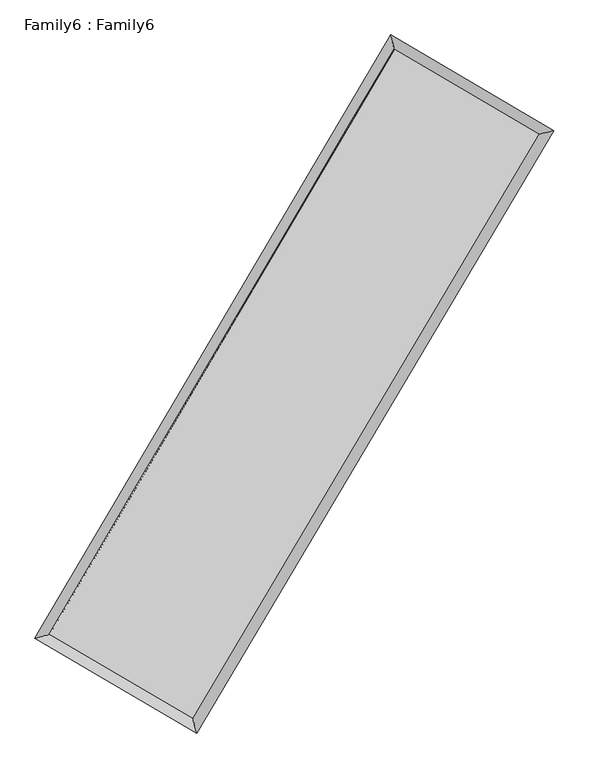
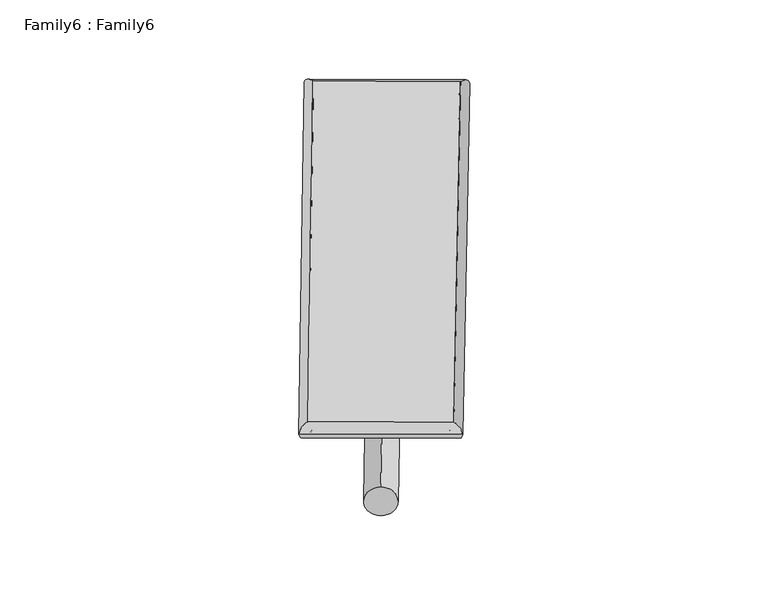
"""IFC4 building model written with IfcOpenShell, lengths in millimetres: plate geometry, Family6 : Family6."""

from ifc_helpers import new_model, si_unit, point, frame, origin, origin_2d, place, context, project, spatial, circle_curve, ellipse_curve, trimmed, segment, composite_curve, outline, extrude, source, transform, mapped, element, save
from ifc_brep_helpers import plane_surface, cylinder_surface, spline_surface, advanced_brep


def family6_family6_5212c672(model_context):
    return source(origin(), model_context, "Body", "SolidModel", [
        extrude(outline(composite_curve([segment(trimmed(circle_curve(origin_2d(), 76.2), [point((-75.4341514, -10.7763074))], [point((75.4341514, 10.7763074))], False, "CARTESIAN"), True, "CONTINUOUS"), segment(trimmed(circle_curve(origin_2d(), 76.2), [point((75.4341514, 10.7763074))], [point((-75.4341514, -10.7763074))], False, "CARTESIAN"), True, "CONTINUOUS")], self_intersect=False)), frame((9144.0, 9144.0, 0.0), z_axis=(0.6746474288795387, 0.6858346574731742, 0.2729132999963212), x_axis=(-0.6779398585713989, 0.7219661173851375, -0.13842858631085458)), (0.0, 0.0, 1.0), 5575.3926114),
        extrude(outline(composite_curve([segment(trimmed(circle_curve(origin_2d(), 76.2), [point((-53.8815367, 53.8815367))], [point((53.8815367, -53.8815367))], False, "CARTESIAN"), True, "CONTINUOUS"), segment(trimmed(circle_curve(origin_2d(), 76.2), [point((53.8815367, -53.8815367))], [point((-53.8815367, 53.8815367))], False, "CARTESIAN"), True, "CONTINUOUS")], self_intersect=False)), frame((9144.0, 9144.0, 0.0), z_axis=(-0.6729899844895864, -0.6874340988877138, 0.2729813921554789), x_axis=(0.6415036755954009, -0.3587676305794452, 0.6780551758124125)), (0.0, 0.0, 1.0), 5573.7207695),
        extrude(outline(composite_curve([segment(trimmed(circle_curve(origin_2d(), 76.2), [point((-53.8815367, -53.8815368))], [point((53.8815367, 53.8815368))], False, "CARTESIAN"), True, "CONTINUOUS"), segment(trimmed(circle_curve(origin_2d(), 76.2), [point((53.8815367, 53.8815368))], [point((-53.8815367, -53.8815368))], False, "CARTESIAN"), True, "CONTINUOUS")], self_intersect=False)), frame((9144.0, 9144.0, 0.0), z_axis=(0.2750690472022851, 0.9216864961843851, 0.2735525946186193), x_axis=(-0.839787946544427, 0.3688612633211895, -0.39836863990503923)), (0.0, 0.0, 1.0), 5569.0076836),
        extrude(outline(composite_curve([segment(trimmed(circle_curve(origin_2d(), 76.2), [point((-75.4341514, 10.7763073))], [point((75.4341514, -10.7763073))], False, "CARTESIAN"), True, "CONTINUOUS"), segment(trimmed(circle_curve(origin_2d(), 76.2), [point((75.4341514, -10.7763073))], [point((-75.4341514, 10.7763073))], False, "CARTESIAN"), True, "CONTINUOUS")], self_intersect=False)), frame((9144.0, 9144.0, 0.0), z_axis=(-0.27716056248718135, -0.9210026398394523, 0.2737446985980727), x_axis=(0.8776709223008086, -0.12674299568390499, 0.46220121721250135)), (0.0, 0.0, 1.0), 5564.7098489),
        advanced_brep(
        [(5184.0584147, 5258.1547279, 1521.6627866), (5601.8251839, 5366.7139921, 1521.7028708), (5601.8250769, 5366.7138429, 1521.3813237), (10729.9072839, 14068.4188276, 1523.2202453), (10621.8159909, 14485.3395306, 1523.6127573), (5184.0583076, 5258.1545786, 1521.3412394), (12696.300023, 12913.8566354, 1521.617096), (13114.5485576, 13021.7383285, 1521.5804967), (7547.8752955, 4227.0114344, 1523.2780135), (7655.4884808, 3810.763644, 1523.3416273)],
        [
            (0, 1, ellipse_curve(frame((5392.9417458, 5312.4342854, 1521.5220551), z_axis=(-0.2515033894098937, 0.9678563485498447, -0.00036563246154121075), x_axis=(-0.9678561689860992, -0.25150357763670156, -0.0006217648197043953)), 215.8207872, 152.4)),
            (1, 2, ellipse_curve(frame((5392.9417458, 5312.4342854, 1521.5220551), z_axis=(-0.2515033894098937, 0.9678563485498447, -0.00036563246154121075), x_axis=(-0.9678561689860992, -0.25150357763670156, -0.0006217648197043953)), 215.8207872, 152.4)),
            (2, 3),
            (3, 4, ellipse_curve(frame((10675.8616374, 14276.8791791, 1523.4165013), z_axis=(-0.9679963308547322, -0.25096407703019524, 0.0003680925946023869), x_axis=(0.25096382161498154, -0.9679962644017897, -0.0006263741566154702)), 215.3524839, 152.4)),
            (4, 0),
            (2, 5, ellipse_curve(frame((5392.9417458, 5312.4342854, 1521.5220551), z_axis=(-0.2515033894098937, 0.9678563485498447, -0.00036563246154121075), x_axis=(-0.9678561689860992, -0.25150357763670156, -0.0006217648197043953)), 215.8207872, 152.4)),
            (5, 0, ellipse_curve(frame((5392.9417458, 5312.4342854, 1521.5220551), z_axis=(-0.2515033894098937, 0.9678563485498447, -0.00036563246154121075), x_axis=(-0.9678561689860992, -0.25150357763670156, -0.0006217648197043953)), 215.8207872, 152.4)),
            (4, 3, ellipse_curve(frame((10675.8616374, 14276.8791791, 1523.4165013), z_axis=(-0.9679963308547322, -0.25096407703019524, 0.0003680925946023869), x_axis=(0.25096382161498154, -0.9679962644017897, -0.0006263741566154702)), 215.3524839, 152.4)),
            (3, 6),
            (6, 7, ellipse_curve(frame((12905.4242903, 12967.7974819, 1521.5987964), z_axis=(-0.2497620308417705, 0.9683071735389891, 0.0003816054615616955), x_axis=(-0.9683070042503159, -0.24976222843430604, 0.0006121824142537931)), 215.9689504, 152.4)),
            (7, 4),
            (7, 6, ellipse_curve(frame((12905.4242903, 12967.7974819, 1521.5987964), z_axis=(-0.2497620308417705, 0.9683071735389891, 0.0003816054615616955), x_axis=(-0.9683070042503159, -0.24976222843430604, 0.0006121824142537931)), 215.9689504, 152.4)),
            (6, 8),
            (8, 9, ellipse_curve(frame((7601.6818882, 4018.8875392, 1523.3098204), z_axis=(0.9681677465368042, 0.25030196313269226, 0.000376586997469971), x_axis=(-0.25030171098843446, 0.968167691677266, -0.0006117749394553682)), 214.9667788, 152.4)),
            (9, 7),
            (9, 8, ellipse_curve(frame((7601.6818882, 4018.8875392, 1523.3098204), z_axis=(0.9681677465368042, 0.25030196313269226, 0.000376586997469971), x_axis=(-0.25030171098843446, 0.968167691677266, -0.0006117749394553682)), 214.9667788, 152.4)),
            (8, 1),
            (5, 9),
        ],
        [
            cylinder_surface(frame((5392.9417458, 5312.4342854, 1521.5220551), z_axis=(-0.5077137405221525, -0.8615258118810105, -0.0001820652909010136), x_axis=(-0.8615254014726628, 0.5077132649314368, 0.0011059973001192073)), 152.4),
            cylinder_surface(frame((10675.8616374, 14276.8791791, 1523.4165013), z_axis=(-0.8623437405638343, 0.5063228010230507, 0.0007030466178881232), x_axis=(0.506323194448181, 0.8623435971447924, 0.0005858559290758332)), 152.4),
            cylinder_surface(frame((12905.4242903, 12967.7974819, 1521.5987964), z_axis=(0.5098510934797176, 0.8602626549045208, -0.0001644814931800565), x_axis=(0.8602626694477152, -0.5098510934797176, 4.50802304362412e-05)), 152.4),
            cylinder_surface(frame((7601.6818882, 4018.8875392, 1523.3098204), z_axis=(0.8629076682817574, -0.5053611265220744, 0.0006984417518145318), x_axis=(-0.505360897106159, -0.8629079483805429, -0.00048610466024241934)), 152.4),
        ],
        [
            (0, [[1, 2, 3, 4, 5]]),
            (0, [[6, 7, -5, 8, -3]]),
            (1, [[-4, 9, 10, 11]]),
            (1, [[-8, -11, 12, -9]]),
            (2, [[-10, 13, 14, 15]]),
            (2, [[-12, -15, 16, -13]]),
            (3, [[-14, 17, -1, -7, 18]]),
            (3, [[-16, -18, -6, -2, -17]]),
        ],
    ),
        extrude(outline(composite_curve([segment(trimmed(circle_curve(origin_2d(), 304.8), [point((0.0, 304.8))], [point((0.0, -304.8))], False, "CARTESIAN"), True, "CONTINUOUS"), segment(trimmed(circle_curve(origin_2d(), 304.8), [point((0.0, -304.8))], [point((0.0, 304.8))], False, "CARTESIAN"), True, "CONTINUOUS")], self_intersect=False)), frame((11801.3008077, 13642.5870839, -1.26e-05), z_axis=(-0.508593800866584, -0.8610065886624105, 2.402007006605053e-09), x_axis=(-0.8610065886624105, 0.508593800866584, -6.564436045739538e-10)), (0.0, 0.0, 1.0), 10449.5996735),
        advanced_brep(
        [(5392.9417458, 5312.4342854, 1521.5220551), (7601.6818882, 4018.8875392, 1523.3098204), (7601.6824318, 4018.8856532, 1675.7098204), (5392.9422894, 5312.4323994, 1673.9220551), (12905.4242903, 12967.7974819, 1521.5987964), (12905.4248339, 12967.795596, 1673.9987963), (10675.8616374, 14276.8791791, 1523.4165013), (10675.862181, 14276.8772932, 1675.8165013)],
        [
            (0, 1),
            (1, 2),
            (2, 3),
            (3, 0),
            (1, 4),
            (4, 5),
            (5, 2),
            (4, 6),
            (6, 7),
            (7, 5),
            (6, 0),
            (3, 7),
        ],
        [
            plane_surface(frame((6497.311817, 4665.6609123, 1522.4159378), z_axis=(-0.5053612444155522, -0.8629078818529708, -8.87604881443714e-06), x_axis=(0.8629076682817574, -0.5053611265220744, 0.0006984417518145327))),
            plane_surface(frame((10253.5530892, 8493.3425106, 1522.4543084), z_axis=(0.8602626657170886, -0.5098511016810522, -9.377966826270358e-06), x_axis=(0.5098510934797179, 0.8602626549045207, -0.00016448149318005594))),
            plane_surface(frame((11790.6429638, 13622.3383305, 1522.5076488), z_axis=(0.5063229315093905, 0.8623439504914138, 8.865639833857057e-06), x_axis=(-0.8623437405638342, 0.5063228010230508, 0.0007030466178881239))),
            plane_surface(frame((8034.4016916, 9794.6567323, 1522.4692782), z_axis=(-0.8615258269869769, 0.5077137474471918, 9.356022312138e-06), x_axis=(-0.5077137405221529, -0.8615258118810104, -0.000182065290901013))),
            spline_surface(1, 1, [[(7601.6824318, 4018.8856532, 1675.7098204), (5392.9422894, 5312.4323994, 1673.9220551)], [(12905.4248339, 12967.795596, 1673.9987963), (10675.862181, 14276.8772932, 1675.8165013)]], [2, 2], [2, 2], [0.0, 1.0], [0.0, 1.0]),
            spline_surface(1, 1, [[(10675.8616374, 14276.8791791, 1523.4165013), (5392.9417458, 5312.4342854, 1521.5220551)], [(12905.4242903, 12967.7974819, 1521.5987964), (7601.6818882, 4018.8875392, 1523.3098204)]], [2, 2], [2, 2], [0.0, 1.0], [0.0, 1.0]),
        ],
        [
            (0, [[1, 2, 3, 4]]),
            (1, [[5, 6, 7, -2]]),
            (2, [[8, 9, 10, -6]]),
            (3, [[11, -4, 12, -9]]),
            (4, [[-3, -7, -10, -12]]),
            (5, [[-11, -8, -5, -1]]),
        ],
    ),
    ])


if __name__ == "__main__":
    model = new_model("IFC4")
    model_context = context("Model", 3, world=origin())
    ifc_project = project(units=[si_unit("LENGTHUNIT", "METRE", prefix="MILLI")], contexts=[model_context])
    site = spatial("IfcSite", under=ifc_project)
    building = spatial("IfcBuilding", under=site)
    placement = place(None, origin())
    family6_family6_shape = family6_family6_5212c672(model_context)
    element("IfcPlate", 1, ObjectType="Family6 : Family6", at=placement, inside=building, context=model_context, shape_type="MappedRepresentation", body=[
        mapped(family6_family6_shape, transform((0.0, 0.0, 0.0), x_axis=(1.0, 0.0, 0.0), y_axis=(0.0, 1.0, 0.0), z_axis=(0.0, 0.0, 1.0))),
    ])
    save(model, "model.ifc")
